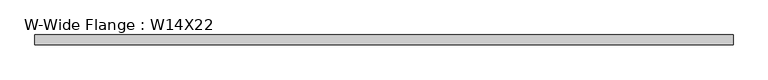
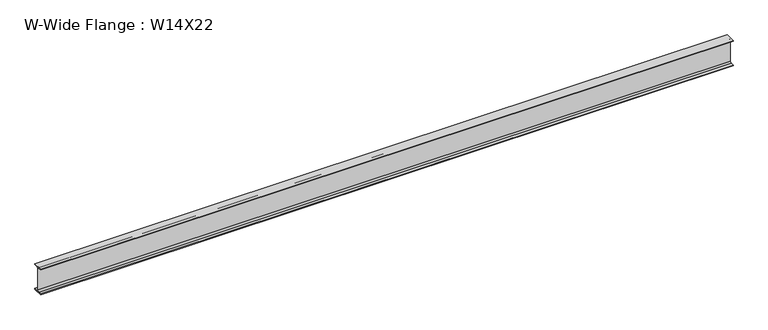
"""IFC4 building model written with IfcOpenShell, lengths in millimetres: beam geometry, W-Wide Flange : W14X22."""

from ifc_helpers import new_model, si_unit, point, frame, frame_2d, origin, place, context, project, spatial, polyline, circle_curve, trimmed, segment, composite_curve, outline, extrude, source, transform, mapped, element, save


def w_wide_flange_w14x22_181a6727(model_context):
    return source(origin(), model_context, "Body", "SweptSolid", [
        extrude(outline(composite_curve([segment(polyline([(63.5, -165.4472656), (63.5, -173.9800781), (-63.5, -173.9800781), (-63.5, -165.4472656), (-21.3816406, -165.4472656)]), True, "CONTINUOUS"), segment(trimmed(circle_curve(frame_2d((-21.3816406, -146.9925781)), 18.4546875), [point((-21.3816406, -165.4472656))], [point((-2.9269531, -146.9925781))], True, "CARTESIAN"), True, "CONTINUOUS"), segment(polyline([(-2.9269531, -146.9925781), (-2.9269531, 146.9925781)]), True, "CONTINUOUS"), segment(trimmed(circle_curve(frame_2d((-21.3816406, 146.9925781)), 18.4546875), [point((-2.9269531, 146.9925781))], [point((-21.3816406, 165.4472656))], True, "CARTESIAN"), True, "CONTINUOUS"), segment(polyline([(-21.3816406, 165.4472656), (-63.5, 165.4472656), (-63.5, 173.9800781), (63.5, 173.9800781), (63.5, 165.4472656), (21.3816406, 165.4472656)]), True, "CONTINUOUS"), segment(trimmed(circle_curve(frame_2d((21.3816406, 146.9925781)), 18.4546875), [point((21.3816406, 165.4472656))], [point((2.9269531, 146.9925781))], True, "CARTESIAN"), True, "CONTINUOUS"), segment(polyline([(2.9269531, 146.9925781), (2.9269531, -146.9925781)]), True, "CONTINUOUS"), segment(trimmed(circle_curve(frame_2d((21.3816406, -146.9925781)), 18.4546875), [point((2.9269531, -146.9925781))], [point((21.3816406, -165.4472656))], True, "CARTESIAN"), True, "CONTINUOUS"), segment(polyline([(21.3816406, -165.4472656), (63.5, -165.4472656)]), True, "CONTINUOUS")], self_intersect=False)), frame((-4496.196875, 0.0, 0.0), z_axis=(1.0, 0.0, 0.0), x_axis=(0.0, 1.0, 0.0)), (0.0, 0.0, 1.0), 9023.0027344),
    ])


if __name__ == "__main__":
    model = new_model("IFC4")
    model_context = context("Model", 3, world=origin())
    ifc_project = project(units=[si_unit("LENGTHUNIT", "METRE", prefix="MILLI")], contexts=[model_context])
    site = spatial("IfcSite", under=ifc_project)
    building = spatial("IfcBuilding", under=site)
    placement = place(None, origin())
    w_wide_flange_w14x22_shape = w_wide_flange_w14x22_181a6727(model_context)
    element("IfcBeam", 1, ObjectType="W-Wide Flange : W14X22", at=placement, inside=building, context=model_context, shape_type="MappedRepresentation", body=[
        mapped(w_wide_flange_w14x22_shape, transform((0.0, 0.0, 0.0), x_axis=(1.0, 0.0, 0.0), y_axis=(0.0, 1.0, 0.0), z_axis=(0.0, 0.0, 1.0))),
    ])
    save(model, "model.ifc")
